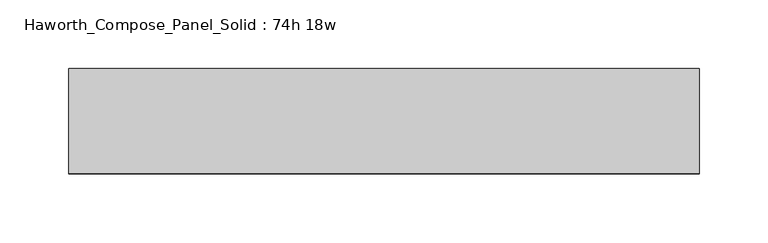
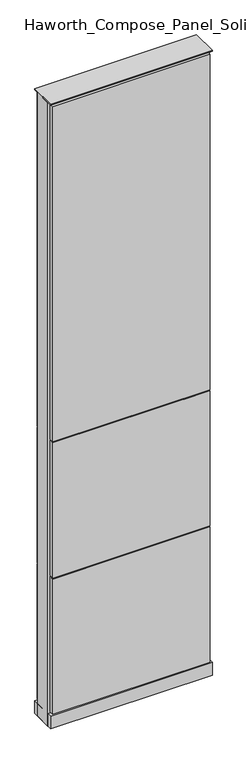
"""IFC4 building model written with IfcOpenShell, lengths in millimetres: furniture geometry, Haworth_Compose_Panel_Solid : 74h 18w."""

import ifcopenshell
import ifcopenshell.guid

model = None  # the IFC model being written
_history = None  # IfcOwnerHistory: only IFC2X3 demands one
_inside = {}  # id of a spatial element -> (the spatial element, [elements in it])
_under = {}  # id of a project, library or spatial element -> (it, [spatial elements below it])
_declared = {}  # id of a project -> (the project, [libraries it declares])
_typed = {}  # id of a type object -> (the type object, [elements of that type])
_made_of = {}  # id of a material, layer set ... -> (it, [elements and type objects made of it])


def new_model(schema):
    """Start an empty IFC model of exactly this schema.

    Asked for "IFC4X3", IfcOpenShell would pick the latest addendum, in which some entities
    have other attributes; the version numbers below select the first issue.
    IFC2X3 requires an IfcOwnerHistory on every rooted entity: one is made here for all.
    """
    global model, _history
    if schema == "IFC4X3":
        model = ifcopenshell.file(schema_version=(4, 3, 0, 0))
    else:
        model = ifcopenshell.file(schema=schema)
    _inside.clear()
    _under.clear()
    _declared.clear()
    _typed.clear()
    _made_of.clear()
    _history = None
    if model.schema == "IFC2X3":
        org = make("IfcOrganization", Name="unknown")
        user = make(
            "IfcPersonAndOrganization",
            ThePerson=make("IfcPerson", FamilyName="unknown"),
            TheOrganization=org,
        )
        app = make(
            "IfcApplication",
            ApplicationDeveloper=org,
            Version="unknown",
            ApplicationFullName="unknown",
            ApplicationIdentifier="unknown",
        )
        _history = make(
            "IfcOwnerHistory",
            OwningUser=user,
            OwningApplication=app,
            ChangeAction="ADDED",
            CreationDate=0,
        )
    return model


def make(cls, **values):
    """One entity of the class cls with the attributes given. An attribute that is None is left unset."""
    return model.create_entity(
        cls, **{name: value for name, value in values.items() if value is not None}
    )


def rooted(cls, **values):
    """An entity with a GlobalId (a new one), such as an element, a storey or a relation."""
    return make(cls, GlobalId=ifcopenshell.guid.new(), OwnerHistory=_history, **values)


def si_unit(unit_type, name, prefix=None):
    """IfcSIUnit, for example si_unit("LENGTHUNIT", "METRE", prefix="MILLI")."""
    return make("IfcSIUnit", UnitType=unit_type, Prefix=prefix, Name=name)


def assignment(units):
    """IfcUnitAssignment: the units of a project."""
    return None if units is None else make("IfcUnitAssignment", Units=units)


def point(xyz):
    """IfcCartesianPoint."""
    return None if xyz is None else make("IfcCartesianPoint", Coordinates=xyz)


def direction(xyz):
    """IfcDirection."""
    return None if xyz is None else make("IfcDirection", DirectionRatios=xyz)


def frame(location, z_axis=None, x_axis=None):
    """IfcAxis2Placement3D, a coordinate frame: its origin and axes. An axis left out is left unset."""
    return make(
        "IfcAxis2Placement3D",
        Location=point(location),
        Axis=direction(z_axis),
        RefDirection=direction(x_axis),
    )


def frame_2d(location, x_axis=None):
    """IfcAxis2Placement2D, a coordinate frame in the plane: its origin and x axis."""
    return make(
        "IfcAxis2Placement2D", Location=point(location), RefDirection=direction(x_axis)
    )


def origin():
    """The frame at (0, 0, 0) with its axes left unset."""
    return frame((0.0, 0.0, 0.0))


def origin_with_axes():
    """The frame at (0, 0, 0) with the z axis (0, 0, 1) and the x axis (1, 0, 0) written out."""
    return frame((0.0, 0.0, 0.0), z_axis=(0.0, 0.0, 1.0), x_axis=(1.0, 0.0, 0.0))


def place(relative_to, where):
    """IfcLocalPlacement: puts the frame where relative to a parent placement (None: the world)."""
    return make(
        "IfcLocalPlacement", PlacementRelTo=relative_to, RelativePlacement=where
    )


def context(
    kind, dimensions, precision=None, world=None, true_north=None, identifier=None
):
    """IfcGeometricRepresentationContext, for example the 3D "Model" context."""
    return make(
        "IfcGeometricRepresentationContext",
        ContextIdentifier=identifier,
        ContextType=kind,
        CoordinateSpaceDimension=dimensions,
        Precision=precision,
        WorldCoordinateSystem=world,
        TrueNorth=true_north,
    )


def project(units=None, contexts=None):
    """IfcProject with its units and contexts."""
    return rooted(
        "IfcProject",
        Name="project",
        RepresentationContexts=contexts,
        UnitsInContext=assignment(units),
    )


def spatial(cls, under=None, at=None, **own):
    """A site, building, storey or space (cls), placed at a placement, below another one or the project."""
    s = rooted(cls, ObjectPlacement=at, **own)
    if under is not None:
        _under.setdefault(under.id(), (under, []))[1].append(s)
    return s


def polyline(points):
    """IfcPolyline through the points."""
    return make("IfcPolyline", Points=[point(p) for p in points])


def circle_curve(where, radius):
    """IfcCircle in the frame where."""
    return make("IfcCircle", Position=where, Radius=radius)


def trimmed(basis, trim1, trim2, sense, master):
    """IfcTrimmedCurve: the piece of a basis curve between two trims."""
    return make(
        "IfcTrimmedCurve",
        BasisCurve=basis,
        Trim1=trim1,
        Trim2=trim2,
        SenseAgreement=sense,
        MasterRepresentation=master,
    )


def segment(curve, same_sense, transition):
    """IfcCompositeCurveSegment."""
    return make(
        "IfcCompositeCurveSegment",
        Transition=transition,
        SameSense=same_sense,
        ParentCurve=curve,
    )


def composite_curve(segments, self_intersect=None):
    """IfcCompositeCurve: segments joined end to end."""
    return make("IfcCompositeCurve", Segments=segments, SelfIntersect=self_intersect)


def outline(outer, holes=None, kind="AREA"):
    """IfcArbitraryClosedProfileDef: a profile drawn as a closed curve; with holes, ...WithVoids."""
    if holes is None:
        return make("IfcArbitraryClosedProfileDef", ProfileType=kind, OuterCurve=outer)
    return make(
        "IfcArbitraryProfileDefWithVoids",
        ProfileType=kind,
        OuterCurve=outer,
        InnerCurves=holes,
    )


def extrude(swept, where, along, depth):
    """IfcExtrudedAreaSolid: the profile swept, set in the frame where, extruded along a direction by depth."""
    return make(
        "IfcExtrudedAreaSolid",
        SweptArea=swept,
        Position=where,
        ExtrudedDirection=direction(along),
        Depth=depth,
    )


def shape(context_of_items, identifier, shape_type, items):
    """IfcShapeRepresentation: the items that make up one representation, for example the "Body"."""
    return make(
        "IfcShapeRepresentation",
        ContextOfItems=context_of_items,
        RepresentationIdentifier=identifier,
        RepresentationType=shape_type,
        Items=items,
    )


def source(mapping_origin, context_of_items, identifier, shape_type, items):
    """IfcRepresentationMap: a shape defined once, which mapped items show again and again."""
    return make(
        "IfcRepresentationMap",
        MappingOrigin=mapping_origin,
        MappedRepresentation=shape(context_of_items, identifier, shape_type, items),
    )


def transform(
    local_origin,
    x_axis=None,
    y_axis=None,
    z_axis=None,
    scale=None,
    scale2=None,
    scale3=None,
    uniform=True,
):
    """IfcCartesianTransformationOperator3D, or its non-uniform kind. x_axis, y_axis, z_axis: its Axis1, 2, 3."""
    if uniform:
        return make(
            "IfcCartesianTransformationOperator3D",
            Axis1=direction(x_axis),
            Axis2=direction(y_axis),
            LocalOrigin=point(local_origin),
            Scale=scale,
            Axis3=direction(z_axis),
        )
    return make(
        "IfcCartesianTransformationOperator3DnonUniform",
        Axis1=direction(x_axis),
        Axis2=direction(y_axis),
        LocalOrigin=point(local_origin),
        Scale=scale,
        Axis3=direction(z_axis),
        Scale2=scale2,
        Scale3=scale3,
    )


def mapped(mapping_source, mapping_target):
    """IfcMappedItem: shows the shape of a source again, moved by a transform."""
    return make(
        "IfcMappedItem", MappingSource=mapping_source, MappingTarget=mapping_target
    )


def made_of(thing, what):
    """Note that an element or type object is made of a material, layer set ...; save() writes the relation."""
    if what is not None:
        _made_of.setdefault(what.id(), (what, []))[1].append(thing)
    return thing


def element(
    cls,
    number,
    at=None,
    inside=None,
    cuts=None,
    type_object=None,
    material=None,
    context=None,
    identifier="Body",
    shape_type=None,
    held_by="IfcProductDefinitionShape",
    body=None,
    shapes=None,
    **own,
):
    """One element of the class cls, such as IfcWall. Its Tag is "e" and its number.

    at: its placement. inside: the storey or other place that contains it. cuts: it is an
    opening in that element (IfcRelVoidsElement). A single representation is given by context,
    identifier, shape_type and body (its items); several are given by shapes. held_by: the class
    of the entity that holds the representations. save() writes the other relations.
    """
    e = rooted(cls, Tag="e%d" % number, ObjectPlacement=at, **own)
    if body is not None:
        shapes = [shape(context, identifier, shape_type, body)]
    if shapes is not None:
        e.Representation = make(held_by, Representations=shapes)
    if inside is not None:
        _inside.setdefault(inside.id(), (inside, []))[1].append(e)
    if cuts is not None:
        rooted(
            "IfcRelVoidsElement", RelatingBuildingElement=cuts, RelatedOpeningElement=e
        )
    if type_object is not None:
        _typed.setdefault(type_object.id(), (type_object, []))[1].append(e)
    return made_of(e, material)


def aggregate(whole, parts):
    """IfcRelAggregates: a whole, such as a stair, and the parts it consists of."""
    return rooted("IfcRelAggregates", RelatingObject=whole, RelatedObjects=parts)


def save(model, path):
    """Write the relations noted so far, then the file.

    IfcRelAggregates (storeys below a building ...), IfcRelContainedInSpatialStructure (elements
    in a storey), IfcRelDefinesByType, IfcRelAssociatesMaterial and IfcRelDeclares: one each for
    every whole, place, type object, material and project.
    """
    for whole, parts in _under.values():
        aggregate(whole, parts)
    for where, things in _inside.values():
        rooted(
            "IfcRelContainedInSpatialStructure",
            RelatedElements=things,
            RelatingStructure=where,
        )
    for kind, things in _typed.values():
        rooted("IfcRelDefinesByType", RelatedObjects=things, RelatingType=kind)
    for what, things in _made_of.values():
        rooted("IfcRelAssociatesMaterial", RelatedObjects=things, RelatingMaterial=what)
    for by, libraries in _declared.values():
        rooted("IfcRelDeclares", RelatingContext=by, RelatedDefinitions=libraries)
    model.write(path)


def haworth_compose_panel_solid_74h_18w_aed9d5d5(model_context):
    return source(origin(), model_context, "Body", "SweptSolid", [
        extrude(outline(composite_curve([segment(trimmed(circle_curve(frame_2d((-149.9597098, 0.0)), 12.7), [point((-162.6597098, 0.0))], [point((-137.2597098, 0.0))], False, "CARTESIAN"), True, "CONTINUOUS"), segment(trimmed(circle_curve(frame_2d((-149.9597098, 0.0)), 12.7), [point((-137.2597098, 0.0))], [point((-162.6597098, 0.0))], False, "CARTESIAN"), True, "CONTINUOUS")], self_intersect=False)), origin_with_axes(), (0.0, 0.0, 1.0), 12.7),
        extrude(outline(composite_curve([segment(trimmed(circle_curve(frame_2d((154.8402902, 0.0)), 12.7), [point((142.1402902, 0.0))], [point((167.5402902, 0.0))], False, "CARTESIAN"), True, "CONTINUOUS"), segment(trimmed(circle_curve(frame_2d((154.8402902, 0.0)), 12.7), [point((167.5402902, 0.0))], [point((142.1402902, 0.0))], False, "CARTESIAN"), True, "CONTINUOUS")], self_intersect=False)), origin_with_axes(), (0.0, 0.0, 1.0), 12.7),
        extrude(outline(polyline([(224.6902902, 38.1), (224.6902902, 25.4), (-219.8097098, 25.4), (-219.8097098, 38.1), (224.6902902, 38.1)])), frame((0.0, 0.0, 866.775), z_axis=(0.0, 0.0, 1.0), x_axis=(1.0, 0.0, 0.0)), (0.0, 0.0, 1.0), 1000.125),
        extrude(outline(polyline([(224.6902902, 38.1), (224.6902902, 25.4), (-219.8097098, 25.4), (-219.8097098, 38.1), (224.6902902, 38.1)])), frame((0.0, 0.0, 460.375), z_axis=(0.0, 0.0, 1.0), x_axis=(1.0, 0.0, 0.0)), (0.0, 0.0, 1.0), 403.225),
        extrude(outline(polyline([(224.6902902, 38.1), (224.6902902, 25.4), (-219.8097098, 25.4), (-219.8097098, 38.1), (224.6902902, 38.1)])), frame((0.0, 0.0, 53.975), z_axis=(0.0, 0.0, 1.0), x_axis=(1.0, 0.0, 0.0)), (0.0, 0.0, 1.0), 403.225),
        extrude(outline(polyline([(224.6902902, -38.1), (-219.8097098, -38.1), (-219.8097098, -25.4), (224.6902902, -25.4), (224.6902902, -38.1)])), frame((0.0, 0.0, 866.775), z_axis=(0.0, 0.0, 1.0), x_axis=(1.0, 0.0, 0.0)), (0.0, 0.0, 1.0), 1000.125),
        extrude(outline(polyline([(224.6902902, -38.1), (-219.8097098, -38.1), (-219.8097098, -25.4), (224.6902902, -25.4), (224.6902902, -38.1)])), frame((0.0, 0.0, 460.375), z_axis=(0.0, 0.0, 1.0), x_axis=(1.0, 0.0, 0.0)), (0.0, 0.0, 1.0), 403.225),
        extrude(outline(polyline([(224.6902902, -38.1), (-219.8097098, -38.1), (-219.8097098, -25.4), (224.6902902, -25.4), (224.6902902, -38.1)])), frame((0.0, 0.0, 53.975), z_axis=(0.0, 0.0, 1.0), x_axis=(1.0, 0.0, 0.0)), (0.0, 0.0, 1.0), 403.225),
        extrude(outline(polyline([(231.0402902, 25.4), (231.0402902, -25.4), (-226.1597098, -25.4), (-226.1597098, 25.4), (231.0402902, 25.4)])), frame((0.0, 0.0, 12.7), z_axis=(0.0, 0.0, 1.0), x_axis=(1.0, 0.0, 0.0)), (0.0, 0.0, 1.0), 1860.55),
        extrude(outline(polyline([(-226.1597098, -38.1), (-226.1597098, 38.1), (231.0402902, 38.1), (231.0402902, -38.1), (-226.1597098, -38.1)])), frame((0.0, 0.0, 12.7), z_axis=(0.0, 0.0, 1.0), x_axis=(1.0, 0.0, 0.0)), (0.0, 0.0, 1.0), 38.1),
        extrude(outline(polyline([(-226.1597098, -38.1), (-226.1597098, 38.1), (231.0402902, 38.1), (231.0402902, -38.1), (-226.1597098, -38.1)])), frame((0.0, 0.0, 1873.25), z_axis=(0.0, 0.0, 1.0), x_axis=(1.0, 0.0, 0.0)), (0.0, 0.0, 1.0), 3.175),
    ])


if __name__ == "__main__":
    model = new_model("IFC4")
    model_context = context("Model", 3, world=origin())
    ifc_project = project(units=[si_unit("LENGTHUNIT", "METRE", prefix="MILLI")], contexts=[model_context])
    site = spatial("IfcSite", under=ifc_project)
    building = spatial("IfcBuilding", under=site)
    placement = place(None, origin())
    haworth_compose_panel_solid_74h_18w_shape = haworth_compose_panel_solid_74h_18w_aed9d5d5(model_context)
    element("IfcFurniture", 1, ObjectType="Haworth_Compose_Panel_Solid : 74h 18w", at=placement, inside=building, context=model_context, shape_type="MappedRepresentation", body=[
        mapped(haworth_compose_panel_solid_74h_18w_shape, transform((0.0, 0.0, 0.0), x_axis=(1.0, 0.0, 0.0), y_axis=(0.0, 1.0, 0.0), z_axis=(0.0, 0.0, 1.0))),
    ])
    save(model, "model.ifc")
